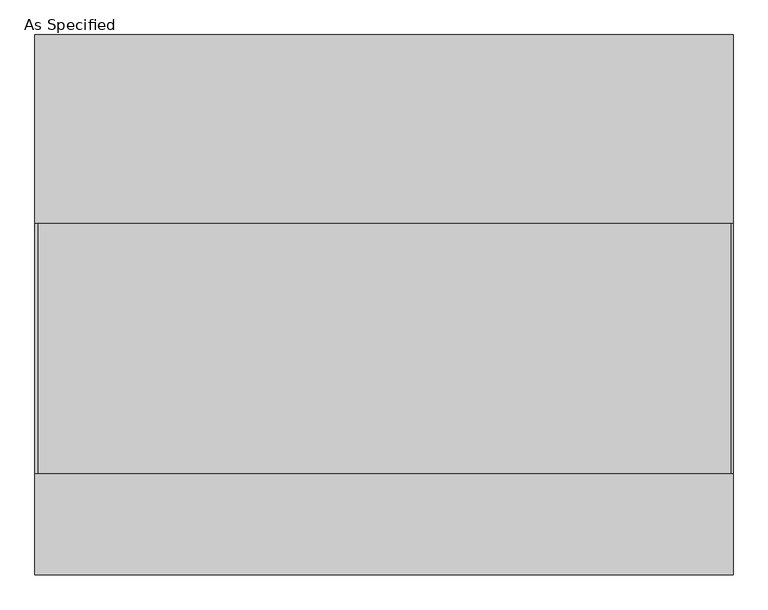
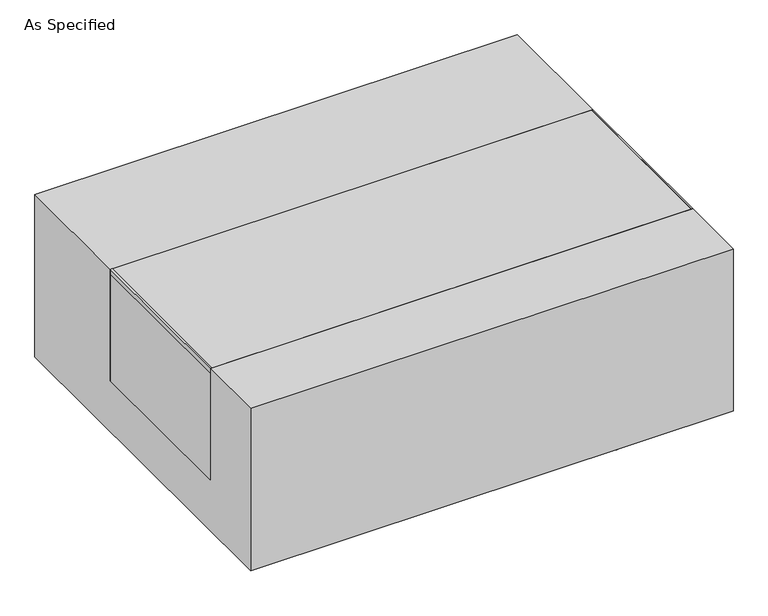
"""IFC4 building model written with IfcOpenShell, lengths in millimetres: proxy geometry, As Specified."""

from ifc_helpers import new_model, si_unit, point, frame, frame_2d, origin, place, context, project, spatial, polyline, circle_curve, trimmed, segment, composite_curve, outline, extrude, source, transform, mapped, element, save


def as_specified_40736e9b(model_context):
    return source(origin(), model_context, "Body", "SweptSolid", [
        extrude(outline(composite_curve([segment(trimmed(circle_curve(frame_2d((389.6125, -499.275)), 10.5), [point((389.6125, -509.775))], [point((389.6125, -488.775))], False, "CARTESIAN"), True, "CONTINUOUS"), segment(trimmed(circle_curve(frame_2d((389.6125, -499.275)), 10.5), [point((389.6125, -488.775))], [point((389.6125, -509.775))], False, "CARTESIAN"), True, "CONTINUOUS")], self_intersect=False)), frame((0.0, 0.0, -562.225), z_axis=(0.0, 0.0, 1.0), x_axis=(1.0, 0.0, 0.0)), (0.0, 0.0, 1.0), 32.0),
        extrude(outline(polyline([(-704.05625, -342.9), (-709.6125, -342.9), (-709.6125, 165.1), (-704.05625, 165.1), (-704.05625, -342.9)])), frame((0.0, 0.0, -39.6875), z_axis=(0.0, 0.0, 1.0), x_axis=(1.0, 0.0, 0.0)), (0.0, 0.0, 1.0), 14.2875),
        extrude(outline(polyline([(705.64375, 165.1), (709.6125, 165.1), (709.6125, -342.9), (705.64375, -342.9), (705.64375, 165.1)])), frame((0.0, 0.0, -39.6875), z_axis=(0.0, 0.0, 1.0), x_axis=(1.0, 0.0, 0.0)), (0.0, 0.0, 1.0), 14.2875),
        extrude(outline(polyline([(709.6125, 165.1), (709.6125, -342.9), (-709.6125, -342.9), (-709.6125, 165.1), (709.6125, 165.1)])), frame((0.0, 0.0, -373.0625), z_axis=(0.0, 0.0, 1.0), x_axis=(1.0, 0.0, 0.0)), (0.0, 0.0, 1.0), 347.6625),
        extrude(outline(polyline([(549.275, -25.4), (549.275, -530.225), (-549.275, -530.225), (-549.275, -25.4), (-342.9, -25.4), (-342.9, -373.0625), (165.1, -373.0625), (165.1, -25.4), (549.275, -25.4)])), frame((-709.6125, 0.0, 0.0), z_axis=(1.0, 0.0, 0.0), x_axis=(0.0, 1.0, 0.0)), (0.0, 0.0, 1.0), 1419.225),
    ])


if __name__ == "__main__":
    model = new_model("IFC4")
    model_context = context("Model", 3, world=origin())
    ifc_project = project(units=[si_unit("LENGTHUNIT", "METRE", prefix="MILLI")], contexts=[model_context])
    site = spatial("IfcSite", under=ifc_project)
    building = spatial("IfcBuilding", under=site)
    placement = place(None, origin())
    as_specified_shape = as_specified_40736e9b(model_context)
    element("IfcBuildingElementProxy", 1, Name="As Specified", ObjectType="As Specified", at=placement, inside=building, context=model_context, shape_type="MappedRepresentation", body=[
        mapped(as_specified_shape, transform((0.0, 0.0, 0.0), x_axis=(1.0, 0.0, 0.0), y_axis=(0.0, 1.0, 0.0), z_axis=(0.0, 0.0, 1.0))),
    ])
    save(model, "model.ifc")
